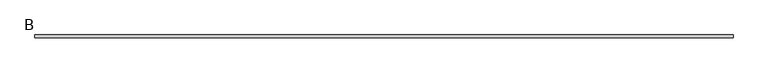
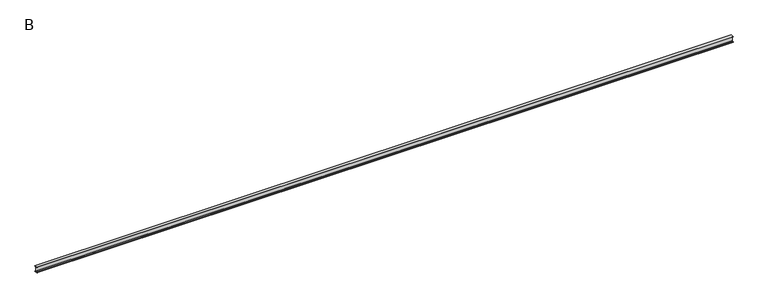
"""IFC4 building model written with IfcOpenShell, lengths in millimetres: beam geometry, B."""

from ifc_helpers import new_model, si_unit, point, frame, frame_2d, origin, place, context, project, spatial, polyline, circle_curve, trimmed, segment, composite_curve, outline, extrude, source, transform, mapped, element, save


def b_3d0efcd1(model_context):
    return source(origin(), model_context, "Body", "SweptSolid", [
        extrude(outline(composite_curve([segment(polyline([(25.0, 50.0), (25.0, 48.5034153)]), True, "CONTINUOUS"), segment(trimmed(circle_curve(frame_2d((20.5, 48.5034153)), 4.5), [point((25.0, 48.5034153))], [point((21.126279, 44.047209))], False, "CARTESIAN"), True, "CONTINUOUS"), segment(polyline([(21.126279, 44.047209), (10.0974421, 42.497207)]), True, "CONTINUOUS"), segment(trimmed(circle_curve(frame_2d((11.35, 33.5847944)), 9.0), [point((10.0974421, 42.497207))], [point((2.35, 33.5847944))], True, "CARTESIAN"), True, "CONTINUOUS"), segment(polyline([(2.35, 33.5847944), (2.35, -33.5847944)]), True, "CONTINUOUS"), segment(trimmed(circle_curve(frame_2d((11.35, -33.5847944)), 9.0), [point((2.35, -33.5847944))], [point((10.0974421, -42.497207))], True, "CARTESIAN"), True, "CONTINUOUS"), segment(polyline([(10.0974421, -42.497207), (21.126279, -44.047209)]), True, "CONTINUOUS"), segment(trimmed(circle_curve(frame_2d((20.5, -48.5034153)), 4.5), [point((21.126279, -44.047209))], [point((25.0, -48.5034153))], False, "CARTESIAN"), True, "CONTINUOUS"), segment(polyline([(25.0, -48.5034153), (25.0, -50.0), (-25.0, -50.0), (-25.0, -48.5034153)]), True, "CONTINUOUS"), segment(trimmed(circle_curve(frame_2d((-20.5, -48.5034153)), 4.5), [point((-25.0, -48.5034153))], [point((-21.126279, -44.047209))], False, "CARTESIAN"), True, "CONTINUOUS"), segment(polyline([(-21.126279, -44.047209), (-10.0974421, -42.497207)]), True, "CONTINUOUS"), segment(trimmed(circle_curve(frame_2d((-11.35, -33.5847944)), 9.0), [point((-10.0974421, -42.497207))], [point((-2.35, -33.5847944))], True, "CARTESIAN"), True, "CONTINUOUS"), segment(polyline([(-2.35, -33.5847944), (-2.35, 33.5847944)]), True, "CONTINUOUS"), segment(trimmed(circle_curve(frame_2d((-11.35, 33.5847944)), 9.0), [point((-2.35, 33.5847944))], [point((-10.0974421, 42.497207))], True, "CARTESIAN"), True, "CONTINUOUS"), segment(polyline([(-10.0974421, 42.497207), (-21.126279, 44.047209)]), True, "CONTINUOUS"), segment(trimmed(circle_curve(frame_2d((-20.5, 48.5034153)), 4.5), [point((-21.126279, 44.047209))], [point((-25.0, 48.5034153))], False, "CARTESIAN"), True, "CONTINUOUS"), segment(polyline([(-25.0, 48.5034153), (-25.0, 50.0), (25.0, 50.0)]), True, "CONTINUOUS")], self_intersect=False)), frame((-5789.05, 0.0, 0.0), z_axis=(1.0, 0.0, 0.0), x_axis=(0.0, 1.0, 0.0)), (0.0, 0.0, 1.0), 11518.1),
    ])


if __name__ == "__main__":
    model = new_model("IFC4")
    model_context = context("Model", 3, world=origin())
    ifc_project = project(units=[si_unit("LENGTHUNIT", "METRE", prefix="MILLI")], contexts=[model_context])
    site = spatial("IfcSite", under=ifc_project)
    building = spatial("IfcBuilding", under=site)
    placement = place(None, origin())
    b_shape = b_3d0efcd1(model_context)
    element("IfcBeam", 1, ObjectType="B", at=placement, inside=building, context=model_context, shape_type="MappedRepresentation", body=[
        mapped(b_shape, transform((0.0, 0.0, 0.0), x_axis=(1.0, 0.0, 0.0), y_axis=(0.0, 1.0, 0.0), z_axis=(0.0, 0.0, 1.0))),
    ])
    save(model, "model.ifc")
